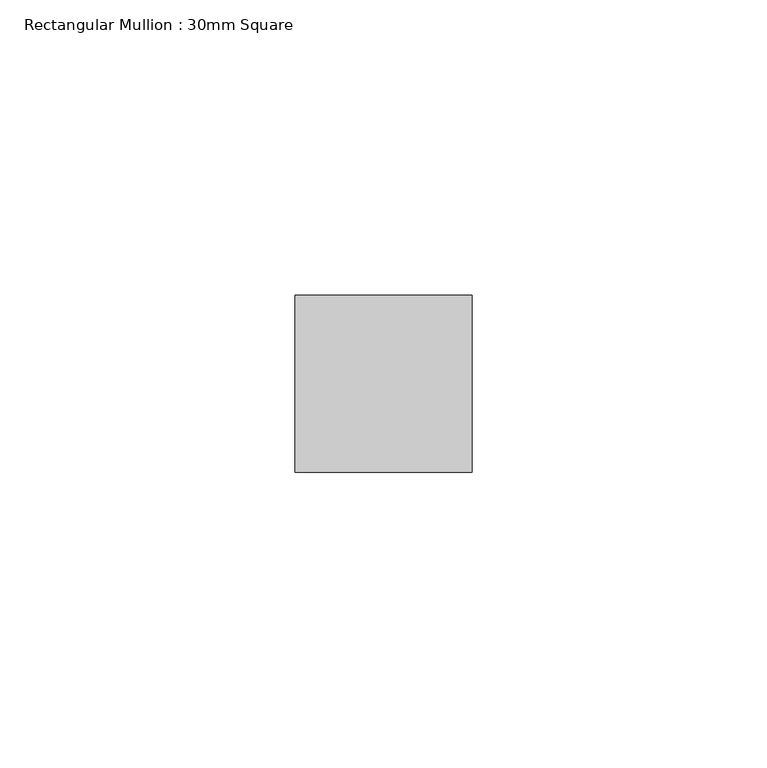
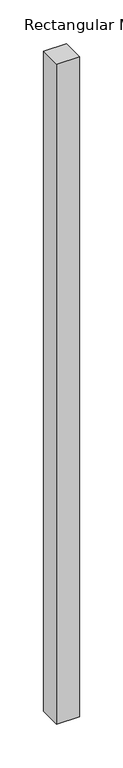
"""IFC4 building model written with IfcOpenShell, lengths in millimetres: member geometry, Rectangular Mullion : 30mm Square."""

from ifc_helpers import new_model, si_unit, frame, origin, place, context, project, spatial, polyline, outline, extrude, source, transform, mapped, element, save


def rectangular_mullion_30mm_square_eb79994b(model_context):
    return source(origin(), model_context, "Body", "SweptSolid", [
        extrude(outline(polyline([(15.0, 15.0), (15.0, -15.0), (-15.0, -15.0), (-15.0, 15.0), (15.0, 15.0)])), frame((0.0, 0.0, -920.4156789), z_axis=(0.0, 0.0, 1.0), x_axis=(1.0, 0.0, 0.0)), (0.0, 0.0, 1.0), 920.4156789),
    ])


if __name__ == "__main__":
    model = new_model("IFC4")
    model_context = context("Model", 3, world=origin())
    ifc_project = project(units=[si_unit("LENGTHUNIT", "METRE", prefix="MILLI")], contexts=[model_context])
    site = spatial("IfcSite", under=ifc_project)
    building = spatial("IfcBuilding", under=site)
    placement = place(None, origin())
    rectangular_mullion_30mm_square_shape = rectangular_mullion_30mm_square_eb79994b(model_context)
    element("IfcMember", 1, ObjectType="Rectangular Mullion : 30mm Square", at=placement, inside=building, context=model_context, shape_type="MappedRepresentation", body=[
        mapped(rectangular_mullion_30mm_square_shape, transform((0.0, 0.0, 0.0), x_axis=(1.0, 0.0, 0.0), y_axis=(0.0, 1.0, 0.0), z_axis=(0.0, 0.0, 1.0))),
    ])
    save(model, "model.ifc")
